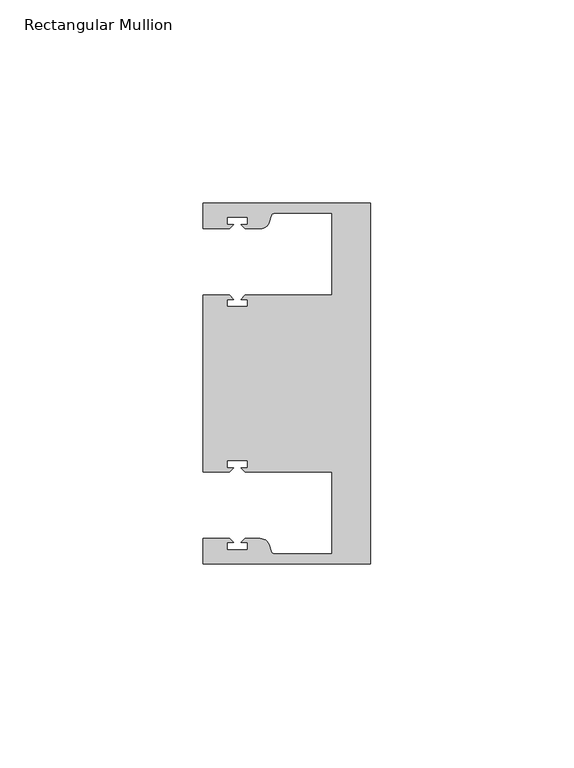
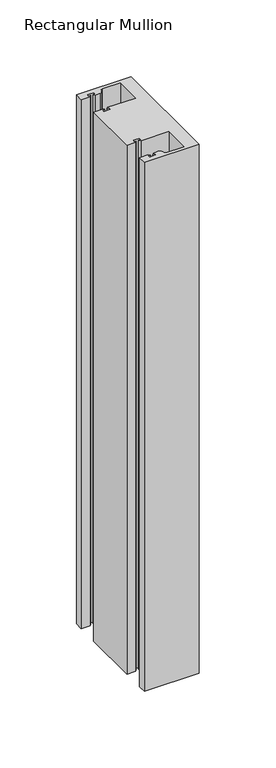
"""IFC4 building model written with IfcOpenShell, lengths in millimetres: member geometry, Rectangular Mullion."""

from ifc_helpers import new_model, si_unit, point, frame, frame_2d, origin, place, context, project, spatial, polyline, circle_curve, trimmed, segment, composite_curve, outline, extrude, source, transform, mapped, element, save


def rectangular_mullion_35008bf9(model_context):
    return source(origin(), model_context, "Body", "SweptSolid", [
        extrude(outline(composite_curve([segment(polyline([(0.0, -44.45), (-41.2749977, -44.45), (-41.2749977, -38.1499897), (-34.8007531, -38.1499897), (-33.8007405, -39.1500023), (-35.3749778, -39.1500023), (-35.3749778, -40.9498819), (-30.3749831, -40.9498819), (-30.3749831, -39.1500023), (-31.949256, -39.1500023), (-30.9492503, -38.1499966), (-27.2637853, -38.1499966)]), True, "CONTINUOUS"), segment(trimmed(circle_curve(frame_2d((-27.2637853, -40.6499966)), 2.5), [point((-27.2637853, -38.1499966))], [point((-24.8489707, -40.002949))], False, "CARTESIAN"), True, "CONTINUOUS"), segment(polyline([(-24.8489707, -40.002949), (-24.5258588, -41.2088192)]), True, "CONTINUOUS"), segment(trimmed(circle_curve(frame_2d((-23.5599329, -40.9500001)), 1.0), [point((-24.5258588, -41.2088192))], [point((-23.5599329, -41.9500001))], True, "CARTESIAN"), True, "CONTINUOUS"), segment(polyline([(-23.5599329, -41.9500001), (-9.525, -41.95), (-9.525, -21.7499959), (-30.9492434, -21.7499959), (-31.949256, -20.7499834), (-30.3750186, -20.7499834), (-30.3750186, -18.949936), (-35.3750134, -18.949936), (-35.3750134, -20.7499834), (-33.8007405, -20.7499834), (-34.8007562, -21.749999), (-41.275, -21.749999), (-41.275, 21.749999), (-34.8007562, 21.749999), (-33.8007405, 20.7499834), (-35.3750134, 20.7499834), (-35.3750134, 18.949936), (-30.3750186, 18.949936), (-30.3750186, 20.7499834), (-31.949256, 20.7499834), (-30.9492434, 21.7499959), (-9.525, 21.7499959), (-9.525, 41.95), (-23.5599329, 41.95)]), True, "CONTINUOUS"), segment(trimmed(circle_curve(frame_2d((-23.5599329, 40.9500001)), 1.0), [point((-23.5599329, 41.95))], [point((-24.5258588, 41.2088192))], True, "CARTESIAN"), True, "CONTINUOUS"), segment(polyline([(-24.5258588, 41.2088192), (-24.8489707, 40.002949)]), True, "CONTINUOUS"), segment(trimmed(circle_curve(frame_2d((-27.2637853, 40.6499966)), 2.5), [point((-24.8489707, 40.002949))], [point((-27.2637853, 38.1499966))], False, "CARTESIAN"), True, "CONTINUOUS"), segment(polyline([(-27.2637853, 38.1499966), (-30.9492503, 38.1499966), (-31.949256, 39.1500023), (-30.3749831, 39.1500023), (-30.3749831, 40.9498819), (-35.3749778, 40.9498819), (-35.3749778, 39.1500023), (-33.8007405, 39.1500023), (-34.8007531, 38.1499897), (-41.275, 38.1499897), (-41.275, 44.45), (0.0, 44.45), (0.0, -44.45)]), True, "CONTINUOUS")], self_intersect=False)), frame((0.0, 0.0, -421.48125), z_axis=(0.0, 0.0, 1.0), x_axis=(1.0, 0.0, 0.0)), (0.0, 0.0, 1.0), 421.48125),
    ])


if __name__ == "__main__":
    model = new_model("IFC4")
    model_context = context("Model", 3, world=origin())
    ifc_project = project(units=[si_unit("LENGTHUNIT", "METRE", prefix="MILLI")], contexts=[model_context])
    site = spatial("IfcSite", under=ifc_project)
    building = spatial("IfcBuilding", under=site)
    placement = place(None, origin())
    rectangular_mullion_shape = rectangular_mullion_35008bf9(model_context)
    element("IfcMember", 1, ObjectType="Rectangular Mullion", at=placement, inside=building, context=model_context, shape_type="MappedRepresentation", body=[
        mapped(rectangular_mullion_shape, transform((0.0, 0.0, 0.0), x_axis=(1.0, 0.0, 0.0), y_axis=(0.0, 1.0, 0.0), z_axis=(0.0, 0.0, 1.0))),
    ])
    save(model, "model.ifc")
